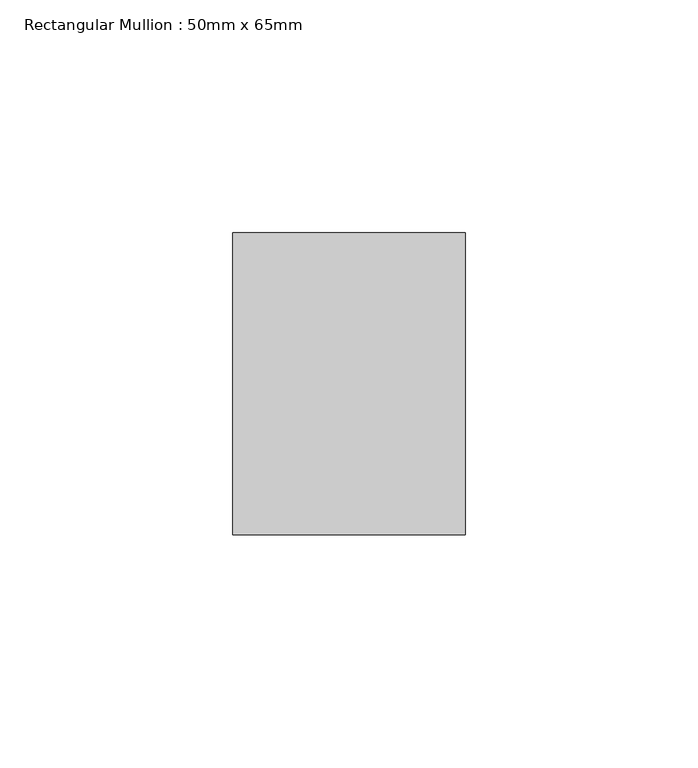
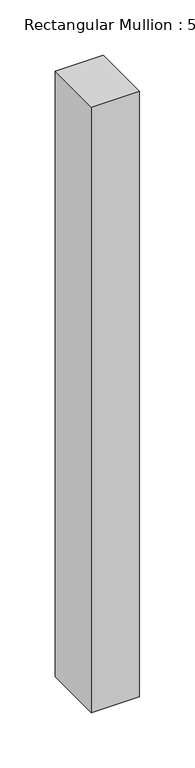
"""IFC4 building model written with IfcOpenShell, lengths in millimetres: member geometry, Rectangular Mullion : 50mm x 65mm."""

from ifc_helpers import new_model, si_unit, frame, origin, place, context, project, spatial, polyline, outline, extrude, source, transform, mapped, element, save


def rectangular_mullion_50mm_x_65mm_51a55cd2(model_context):
    return source(origin(), model_context, "Body", "SweptSolid", [
        extrude(outline(polyline([(25.0, 32.5), (25.0, -32.5), (-25.0, -32.5), (-25.0, 32.5), (25.0, 32.5)])), frame((0.0, 0.0, -667.5403885), z_axis=(0.0, 0.0, 1.0), x_axis=(1.0, 0.0, 0.0)), (0.0, 0.0, 1.0), 667.5403885),
    ])


if __name__ == "__main__":
    model = new_model("IFC4")
    model_context = context("Model", 3, world=origin())
    ifc_project = project(units=[si_unit("LENGTHUNIT", "METRE", prefix="MILLI")], contexts=[model_context])
    site = spatial("IfcSite", under=ifc_project)
    building = spatial("IfcBuilding", under=site)
    placement = place(None, origin())
    rectangular_mullion_50mm_x_65mm_shape = rectangular_mullion_50mm_x_65mm_51a55cd2(model_context)
    element("IfcMember", 1, ObjectType="Rectangular Mullion : 50mm x 65mm", at=placement, inside=building, context=model_context, shape_type="MappedRepresentation", body=[
        mapped(rectangular_mullion_50mm_x_65mm_shape, transform((0.0, 0.0, 0.0), x_axis=(1.0, 0.0, 0.0), y_axis=(0.0, 1.0, 0.0), z_axis=(0.0, 0.0, 1.0))),
    ])
    save(model, "model.ifc")
